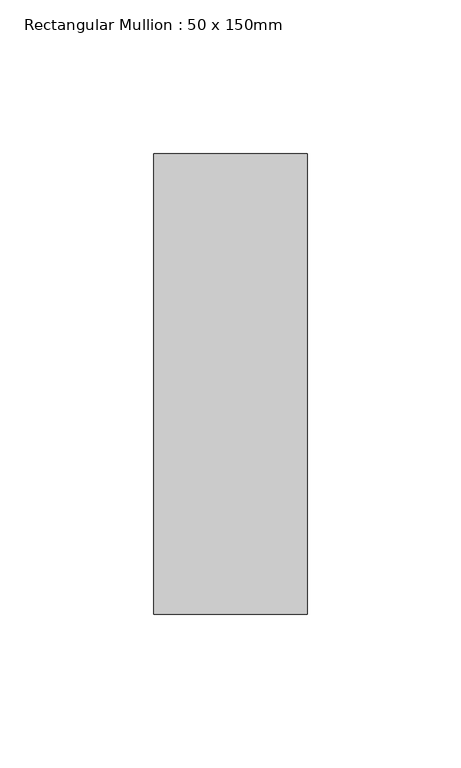
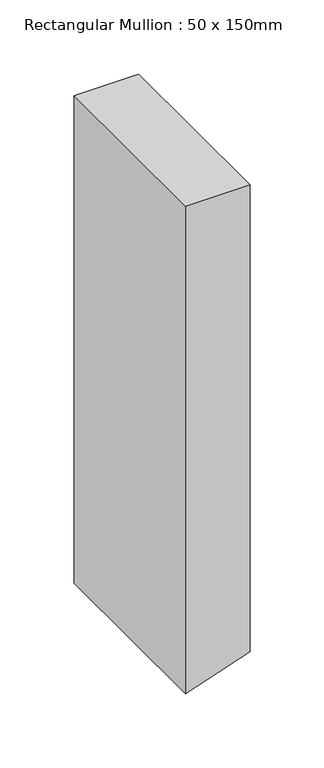
"""IFC4 building model written with IfcOpenShell, lengths in millimetres: member geometry, Rectangular Mullion : 50 x 150mm."""

from ifc_helpers import new_model, si_unit, point, frame, frame_2d, origin, place, context, project, spatial, polyline, circle_curve, trimmed, segment, composite_curve, outline, extrude, source, transform, mapped, element, save


def rectangular_mullion_50_x_150mm_db668c95(model_context):
    return source(origin(), model_context, "Body", "SweptSolid", [
        extrude(outline(composite_curve([segment(polyline([(0.0, 25.0), (0.0, -25.0), (-400.4605582, -25.0)]), True, "CONTINUOUS"), segment(trimmed(circle_curve(frame_2d((-4385.9328622, 1341.9443343)), 4213.3746925), [point((-400.4605582, -25.0))], [point((-397.4245883, -16.1160649))], True, "CARTESIAN"), True, "CONTINUOUS"), segment(trimmed(circle_curve(frame_2d((-4385.9328622, 1341.9443343)), 4213.3746924), [point((-397.4245883, -16.1160649))], [point((-383.6605178, 25.0))], True, "CARTESIAN"), True, "CONTINUOUS"), segment(polyline([(-383.6605178, 25.0), (0.0, 25.0)]), True, "CONTINUOUS")], self_intersect=False)), frame((0.0, -75.0, 0.0), z_axis=(0.0, 1.0, 0.0), x_axis=(0.0, 0.0, 1.0)), (0.0, 0.0, 1.0), 150.0),
    ])


if __name__ == "__main__":
    model = new_model("IFC4")
    model_context = context("Model", 3, world=origin())
    ifc_project = project(units=[si_unit("LENGTHUNIT", "METRE", prefix="MILLI")], contexts=[model_context])
    site = spatial("IfcSite", under=ifc_project)
    building = spatial("IfcBuilding", under=site)
    placement = place(None, origin())
    rectangular_mullion_50_x_150mm_shape = rectangular_mullion_50_x_150mm_db668c95(model_context)
    element("IfcMember", 1, ObjectType="Rectangular Mullion : 50 x 150mm", at=placement, inside=building, context=model_context, shape_type="MappedRepresentation", body=[
        mapped(rectangular_mullion_50_x_150mm_shape, transform((0.0, 0.0, 0.0), x_axis=(1.0, 0.0, 0.0), y_axis=(0.0, 1.0, 0.0), z_axis=(0.0, 0.0, 1.0))),
    ])
    save(model, "model.ifc")
